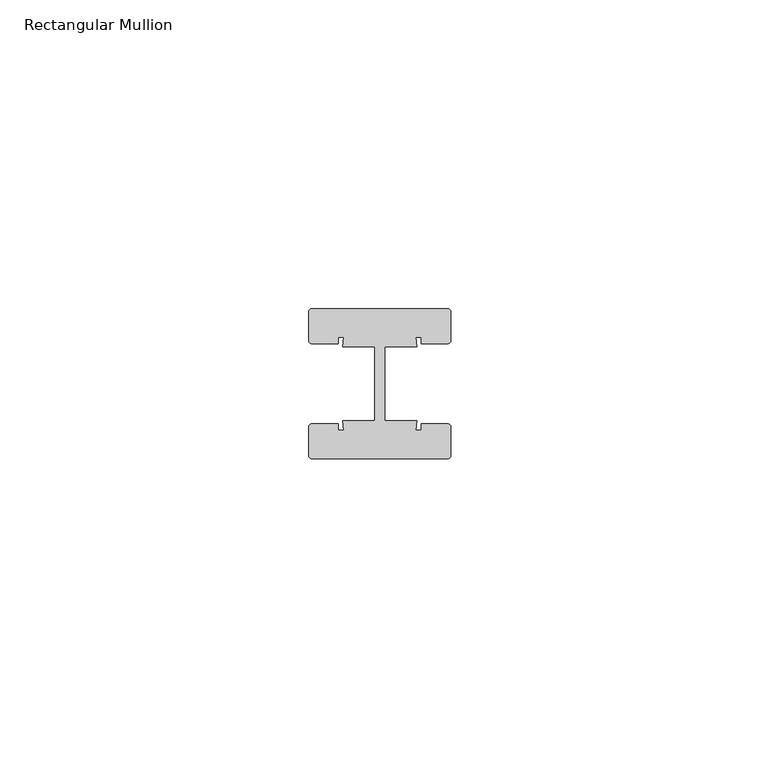
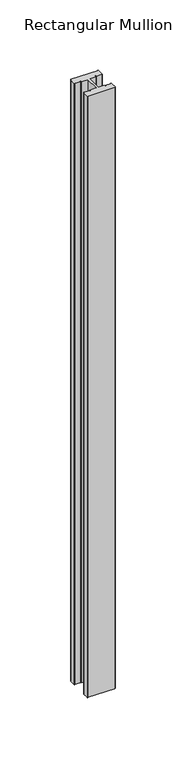
"""IFC4 building model written with IfcOpenShell, lengths in millimetres: member geometry, Rectangular Mullion."""

from ifc_helpers import new_model, si_unit, point, frame, frame_2d, origin, place, context, project, spatial, polyline, circle_curve, trimmed, segment, composite_curve, outline, extrude, source, transform, mapped, element, save


def rectangular_mullion_a83eec71(model_context):
    return source(origin(), model_context, "Body", "SweptSolid", [
        extrude(outline(composite_curve([segment(trimmed(circle_curve(frame_2d((-11.0, 11.64)), 0.5), [point((-11.5, 11.64))], [point((-11.0, 12.14))], False, "CARTESIAN"), True, "CONTINUOUS"), segment(polyline([(-11.0, 12.14), (11.0, 12.14)]), True, "CONTINUOUS"), segment(trimmed(circle_curve(frame_2d((11.0, 11.64)), 0.5), [point((11.0, 12.14))], [point((11.5, 11.64))], False, "CARTESIAN"), True, "CONTINUOUS"), segment(polyline([(11.5, 11.64), (11.5, 7.0)]), True, "CONTINUOUS"), segment(trimmed(circle_curve(frame_2d((11.0, 7.0)), 0.5), [point((11.5, 7.0))], [point((11.0, 6.5))], False, "CARTESIAN"), True, "CONTINUOUS"), segment(polyline([(11.0, 6.5), (6.75, 6.5), (6.75, 7.5), (5.7984177, 7.5), (6.0, 6.0), (0.840625, 6.0), (0.840625, -6.0), (6.0, -6.0), (5.7984177, -7.5), (6.75, -7.5), (6.75, -6.5), (11.0, -6.5)]), True, "CONTINUOUS"), segment(trimmed(circle_curve(frame_2d((11.0, -7.0)), 0.5), [point((11.0, -6.5))], [point((11.5, -7.0))], False, "CARTESIAN"), True, "CONTINUOUS"), segment(polyline([(11.5, -7.0), (11.5, -11.64)]), True, "CONTINUOUS"), segment(trimmed(circle_curve(frame_2d((11.0, -11.64)), 0.5), [point((11.5, -11.64))], [point((11.0, -12.14))], False, "CARTESIAN"), True, "CONTINUOUS"), segment(polyline([(11.0, -12.14), (-11.0, -12.14)]), True, "CONTINUOUS"), segment(trimmed(circle_curve(frame_2d((-11.0, -11.64)), 0.5), [point((-11.0, -12.14))], [point((-11.5, -11.64))], False, "CARTESIAN"), True, "CONTINUOUS"), segment(polyline([(-11.5, -11.64), (-11.5, -7.0)]), True, "CONTINUOUS"), segment(trimmed(circle_curve(frame_2d((-11.0, -7.0)), 0.5), [point((-11.5, -7.0))], [point((-11.0, -6.5))], False, "CARTESIAN"), True, "CONTINUOUS"), segment(polyline([(-11.0, -6.5), (-6.75, -6.5), (-6.75, -7.5), (-5.7984177, -7.5), (-6.0, -6.0), (-0.840625, -6.0), (-0.840625, 6.0), (-6.0, 6.0), (-5.7984177, 7.5), (-6.75, 7.5), (-6.75, 6.5), (-11.0, 6.5)]), True, "CONTINUOUS"), segment(trimmed(circle_curve(frame_2d((-11.0, 7.0)), 0.5), [point((-11.0, 6.5))], [point((-11.5, 7.0))], False, "CARTESIAN"), True, "CONTINUOUS"), segment(polyline([(-11.5, 7.0), (-11.5, 11.64)]), True, "CONTINUOUS")], self_intersect=False)), frame((0.0, 0.0, -521.9), z_axis=(0.0, 0.0, 1.0), x_axis=(1.0, 0.0, 0.0)), (0.0, 0.0, 1.0), 521.9),
    ])


if __name__ == "__main__":
    model = new_model("IFC4")
    model_context = context("Model", 3, world=origin())
    ifc_project = project(units=[si_unit("LENGTHUNIT", "METRE", prefix="MILLI")], contexts=[model_context])
    site = spatial("IfcSite", under=ifc_project)
    building = spatial("IfcBuilding", under=site)
    placement = place(None, origin())
    rectangular_mullion_shape = rectangular_mullion_a83eec71(model_context)
    element("IfcMember", 1, ObjectType="Rectangular Mullion", at=placement, inside=building, context=model_context, shape_type="MappedRepresentation", body=[
        mapped(rectangular_mullion_shape, transform((0.0, 0.0, 0.0), x_axis=(1.0, 0.0, 0.0), y_axis=(0.0, 1.0, 0.0), z_axis=(0.0, 0.0, 1.0))),
    ])
    save(model, "model.ifc")
